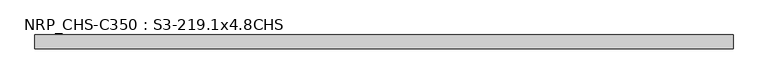
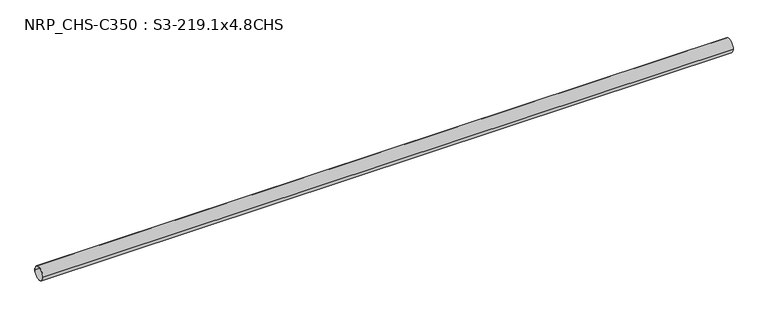
"""IFC4 building model written with IfcOpenShell, lengths in millimetres: beam geometry, NRP_CHS-C350 : S3-219.1x4.8CHS."""

from ifc_helpers import new_model, si_unit, point, frame, origin, origin_2d, place, context, project, spatial, circle_curve, trimmed, segment, composite_curve, outline, extrude, source, transform, mapped, element, save


def nrp_chs_c350_s3_219_1x4_8chs_58846ae6(model_context):
    return source(origin(), model_context, "Body", "SweptSolid", [
        extrude(outline(composite_curve([segment(trimmed(circle_curve(origin_2d(), 109.55), [point((-109.55, 0.0))], [point((109.55, 0.0))], False, "CARTESIAN"), True, "CONTINUOUS"), segment(trimmed(circle_curve(origin_2d(), 109.55), [point((109.55, 0.0))], [point((-109.55, 0.0))], False, "CARTESIAN"), True, "CONTINUOUS")], self_intersect=False), holes=[composite_curve([segment(trimmed(circle_curve(origin_2d(), 104.75), [point((104.75, 0.0))], [point((-104.75, 0.0))], True, "CARTESIAN"), True, "CONTINUOUS"), segment(trimmed(circle_curve(origin_2d(), 104.75), [point((-104.75, 0.0))], [point((104.75, 0.0))], True, "CARTESIAN"), True, "CONTINUOUS")], self_intersect=False)]), frame((-5532.8, 0.0, 0.0), z_axis=(1.0, 0.0, 0.0), x_axis=(0.0, 1.0, 0.0)), (0.0, 0.0, 1.0), 11087.8),
    ])


if __name__ == "__main__":
    model = new_model("IFC4")
    model_context = context("Model", 3, world=origin())
    ifc_project = project(units=[si_unit("LENGTHUNIT", "METRE", prefix="MILLI")], contexts=[model_context])
    site = spatial("IfcSite", under=ifc_project)
    building = spatial("IfcBuilding", under=site)
    placement = place(None, origin())
    nrp_chs_c350_s3_219_1x4_8chs_shape = nrp_chs_c350_s3_219_1x4_8chs_58846ae6(model_context)
    element("IfcBeam", 1, ObjectType="NRP_CHS-C350 : S3-219.1x4.8CHS", at=placement, inside=building, context=model_context, shape_type="MappedRepresentation", body=[
        mapped(nrp_chs_c350_s3_219_1x4_8chs_shape, transform((0.0, 0.0, 0.0), x_axis=(1.0, 0.0, 0.0), y_axis=(0.0, 1.0, 0.0), z_axis=(0.0, 0.0, 1.0))),
    ])
    save(model, "model.ifc")
